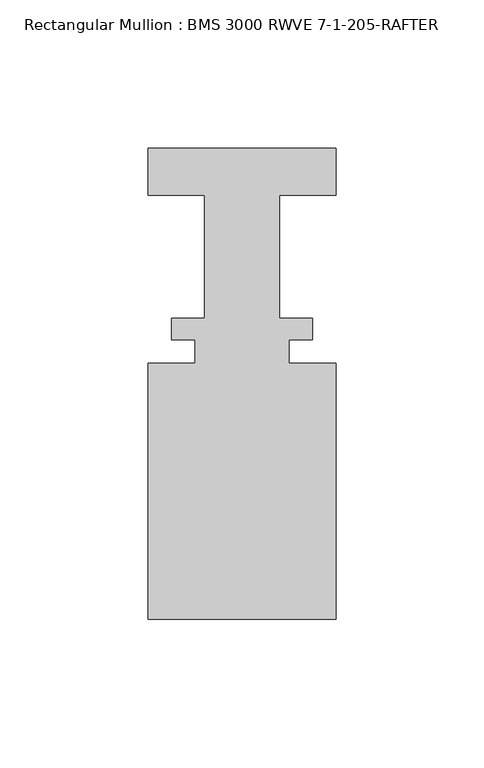
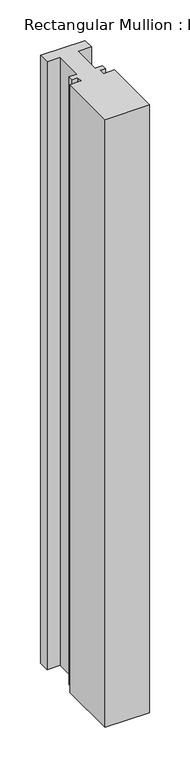
"""IFC4 building model written with IfcOpenShell, lengths in millimetres: member geometry, Rectangular Mullion : BMS 3000 RWVE 7-1-205-RAFTER."""

from ifc_helpers import new_model, si_unit, frame, origin, place, context, project, spatial, polyline, outline, extrude, source, transform, mapped, element, save


def rectangular_mullion_bms_3000_rwve_7_1_205_rafter_3ee61774(model_context):
    return source(origin(), model_context, "Body", "SweptSolid", [
        extrude(outline(polyline([(-31.75, -152.9953125), (-31.75, -66.4575125), (-15.875, -66.4575125), (-15.875, -58.5581125), (-23.8252, -58.5581125), (-23.8252, -51.3953125), (-12.7, -51.3953125), (-12.7, -9.7334421), (-31.75, -9.7334421), (-31.75, 6.1356875), (31.75, 6.1356875), (31.75, -9.7545859), (12.7, -9.7545859), (12.7, -51.3953125), (23.8252, -51.3953125), (23.8252, -58.5581125), (15.875, -58.5581125), (15.875, -66.4575125), (31.75, -66.4575125), (31.75, -152.9953125), (-31.75, -152.9953125)])), frame((0.0, 0.0, -914.4), z_axis=(0.0, 0.0, 1.0), x_axis=(1.0, 0.0, 0.0)), (0.0, 0.0, 1.0), 914.4),
    ])


if __name__ == "__main__":
    model = new_model("IFC4")
    model_context = context("Model", 3, world=origin())
    ifc_project = project(units=[si_unit("LENGTHUNIT", "METRE", prefix="MILLI")], contexts=[model_context])
    site = spatial("IfcSite", under=ifc_project)
    building = spatial("IfcBuilding", under=site)
    placement = place(None, origin())
    rectangular_mullion_bms_3000_rwve_7_1_205_rafter_shape = rectangular_mullion_bms_3000_rwve_7_1_205_rafter_3ee61774(model_context)
    element("IfcMember", 1, ObjectType="Rectangular Mullion : BMS 3000 RWVE 7-1-205-RAFTER", at=placement, inside=building, context=model_context, shape_type="MappedRepresentation", body=[
        mapped(rectangular_mullion_bms_3000_rwve_7_1_205_rafter_shape, transform((0.0, 0.0, 0.0), x_axis=(1.0, 0.0, 0.0), y_axis=(0.0, 1.0, 0.0), z_axis=(0.0, 0.0, 1.0))),
    ])
    save(model, "model.ifc")
